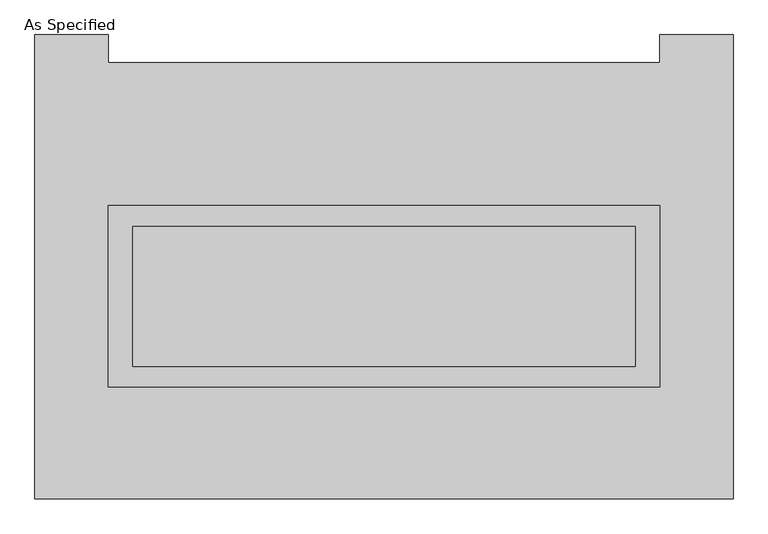
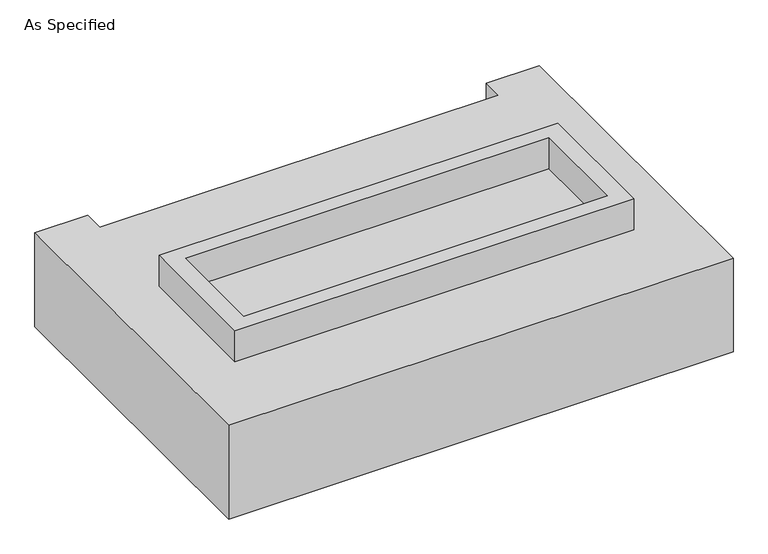
"""IFC4 building model written with IfcOpenShell, lengths in millimetres: proxy geometry, As Specified."""

from ifc_helpers import new_model, si_unit, frame, origin, place, context, project, spatial, polyline, outline, extrude, faceted_brep, source, transform, mapped, element, save


def as_specified_8ee3df0b(model_context):
    return source(origin(), model_context, "Body", "SolidModel", [
        extrude(outline(polyline([(1003.3, 273.05), (1003.3, -387.35), (-1003.3, -387.35), (-1003.3, 273.05), (1003.3, 273.05)]), holes=[polyline([(914.4, 196.85), (-914.4, 196.85), (-914.4, -311.15), (914.4, -311.15), (914.4, 196.85)])]), frame((0.0, 0.0, -25.4), z_axis=(0.0, 0.0, 1.0), x_axis=(1.0, 0.0, 0.0)), (0.0, 0.0, 1.0), 165.1),
        extrude(outline(polyline([(914.4, 196.85), (914.4, -311.15), (-914.4, -311.15), (-914.4, 196.85), (914.4, 196.85)])), frame((0.0, 0.0, -30.3609375), z_axis=(0.0, 0.0, 1.0), x_axis=(1.0, 0.0, 0.0)), (0.0, 0.0, 1.0), 4.9609375),
        faceted_brep([(1270.0, -793.75, -523.875), (-1270.0, -793.75, -523.875), (-1270.0, 895.35, -523.875), (-1003.3, 895.35, -523.875), (-1003.3, 793.75, -523.875), (1003.3, 793.75, -523.875), (1003.3, 895.35, -523.875), (1270.0, 895.35, -523.875), (-1270.0, -793.75, -25.4), (1270.0, -793.75, -25.4), (1270.0, 895.35, -25.4), (1003.3, 895.35, -25.4), (1003.3, 793.75, -25.4), (-1003.3, 793.75, -25.4), (-1003.3, 895.35, -25.4), (-1270.0, 895.35, -25.4), (-1003.3, -387.35, -25.4), (-1003.3, 273.05, -25.4), (1003.3, 273.05, -25.4), (1003.3, -387.35, -25.4), (1003.3, 273.05, -498.475), (-1003.3, 273.05, -498.475), (-1003.3, -387.35, -498.475), (1003.3, -387.35, -498.475)], [[[0, 1, 2, 3, 4, 5, 6, 7]], [[8, 9, 10, 11, 12, 13, 14, 15], [16, 17, 18, 19]], [[4, 13, 12, 5]], [[1, 8, 15, 2]], [[10, 9, 0, 7]], [[20, 21, 22, 23]], [[22, 21, 17, 16]], [[21, 20, 18, 17]], [[20, 23, 19, 18]], [[16, 19, 23, 22]], [[1, 0, 9, 8]], [[4, 3, 14, 13]], [[3, 2, 15, 14]], [[6, 5, 12, 11]], [[7, 6, 11, 10]]]),
    ])


if __name__ == "__main__":
    model = new_model("IFC4")
    model_context = context("Model", 3, world=origin())
    ifc_project = project(units=[si_unit("LENGTHUNIT", "METRE", prefix="MILLI")], contexts=[model_context])
    site = spatial("IfcSite", under=ifc_project)
    building = spatial("IfcBuilding", under=site)
    placement = place(None, origin())
    as_specified_shape = as_specified_8ee3df0b(model_context)
    element("IfcBuildingElementProxy", 1, Name="As Specified", ObjectType="As Specified", at=placement, inside=building, context=model_context, shape_type="MappedRepresentation", body=[
        mapped(as_specified_shape, transform((0.0, 0.0, 0.0), x_axis=(1.0, 0.0, 0.0), y_axis=(0.0, 1.0, 0.0), z_axis=(0.0, 0.0, 1.0))),
    ])
    save(model, "model.ifc")
